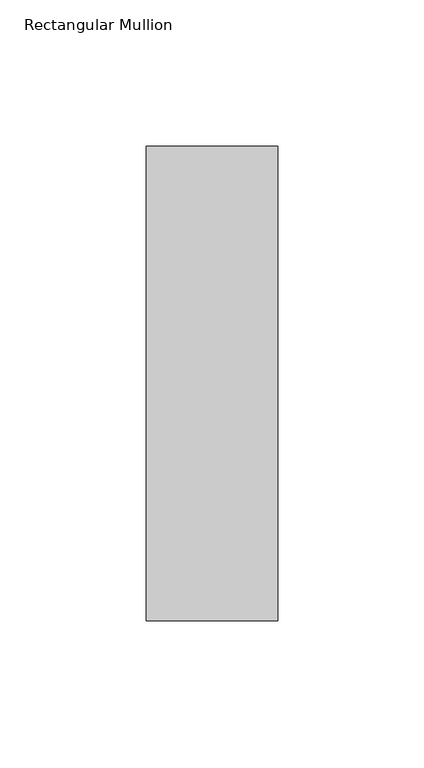
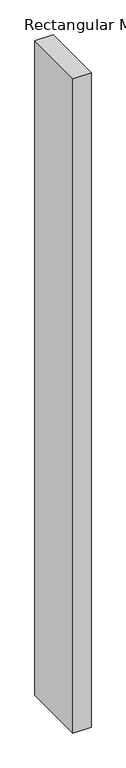
"""IFC4 building model written with IfcOpenShell, lengths in millimetres: member geometry, Rectangular Mullion."""

from ifc_helpers import new_model, si_unit, frame, origin, place, context, project, spatial, polyline, outline, extrude, source, transform, mapped, element, save


def rectangular_mullion_d55eb471(model_context):
    return source(origin(), model_context, "Body", "SweptSolid", [
        extrude(outline(polyline([(22.5, 109.19375), (22.5, -53.19375), (-22.5, -53.19375), (-22.5, 109.19375), (22.5, 109.19375)])), frame((0.0, 0.0, -1708.8912252), z_axis=(0.0, 0.0, 1.0), x_axis=(1.0, 0.0, 0.0)), (0.0, 0.0, 1.0), 1708.8912252),
    ])


if __name__ == "__main__":
    model = new_model("IFC4")
    model_context = context("Model", 3, world=origin())
    ifc_project = project(units=[si_unit("LENGTHUNIT", "METRE", prefix="MILLI")], contexts=[model_context])
    site = spatial("IfcSite", under=ifc_project)
    building = spatial("IfcBuilding", under=site)
    placement = place(None, origin())
    rectangular_mullion_shape = rectangular_mullion_d55eb471(model_context)
    element("IfcMember", 1, ObjectType="Rectangular Mullion", at=placement, inside=building, context=model_context, shape_type="MappedRepresentation", body=[
        mapped(rectangular_mullion_shape, transform((0.0, 0.0, 0.0), x_axis=(1.0, 0.0, 0.0), y_axis=(0.0, 1.0, 0.0), z_axis=(0.0, 0.0, 1.0))),
    ])
    save(model, "model.ifc")
